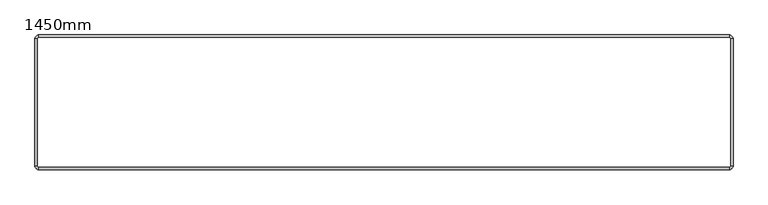
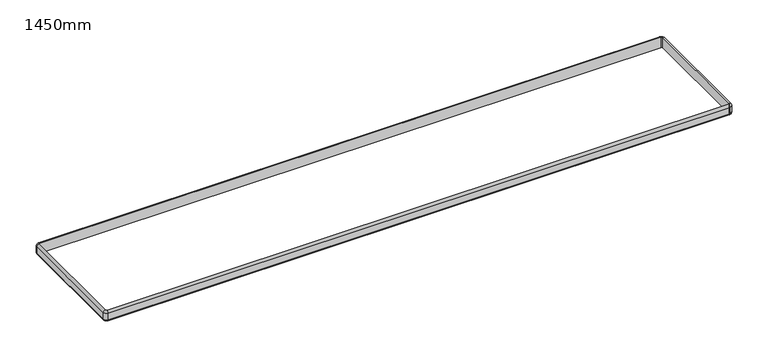
"""IFC4 building model written with IfcOpenShell, lengths in millimetres: furniture geometry, 1450mm."""

from ifc_helpers import new_model, si_unit, point, frame, origin, place, context, project, spatial, polyline, circle_curve, ellipse_curve, trimmed, source, transform, mapped, element, save
from ifc_brep_helpers import plane_surface, cylinder_surface, revolved_surface, advanced_brep


def furniture_1450mm_8ce46c0a(model_context):
    return source(origin(), model_context, "Body", "AdvancedBrep", [
        advanced_brep(
        [(723.9, -131.7, 439.5), (723.9, -131.7, 424.5), (723.9, 131.7, 424.5), (723.9, 131.7, 439.5), (718.9, -131.7, 419.5), (718.9, -131.7, 444.5), (718.9, 131.7, 444.5), (718.9, 131.7, 419.5), (715.9, 139.7, 439.5), (715.9, 139.7, 424.5), (-715.9, 139.7, 424.5), (-715.9, 139.7, 439.5), (715.9, 134.7, 419.5), (715.9, 134.7, 444.5), (-715.9, 134.7, 444.5), (-715.9, 134.7, 419.5), (-723.9, 131.7, 439.5), (-723.9, 131.7, 424.5), (-723.9, -131.7, 424.5), (-723.9, -131.7, 439.5), (-718.9, 131.7, 419.5), (-718.9, 131.7, 444.5), (-718.9, -131.7, 444.5), (-718.9, -131.7, 419.5), (-715.9, -139.7, 439.5), (-715.9, -139.7, 424.5), (715.9, -139.7, 424.5), (715.9, -139.7, 439.5), (-715.9, -134.7, 419.5), (-715.9, -134.7, 444.5), (715.9, -134.7, 444.5), (715.9, -134.7, 419.5)],
        [
            (0, 1),
            (1, 2),
            (2, 3),
            (3, 0),
            (4, 5),
            (5, 6),
            (6, 7),
            (7, 4),
            (8, 9),
            (9, 10),
            (10, 11),
            (11, 8),
            (12, 13),
            (13, 14),
            (14, 15),
            (15, 12),
            (16, 17),
            (17, 18),
            (18, 19),
            (19, 16),
            (20, 21),
            (21, 22),
            (22, 23),
            (23, 20),
            (24, 25),
            (25, 26),
            (26, 27),
            (27, 24),
            (28, 29),
            (29, 30),
            (30, 31),
            (31, 28),
            (1, 4, circle_curve(frame((718.9, -131.7, 424.5), z_axis=(0.0, 1.0, 0.0), x_axis=(-1.0, 0.0, 0.0)), 5.0)),
            (7, 2, circle_curve(frame((718.9, 131.7, 424.5), z_axis=(0.0, -1.0, 0.0), x_axis=(-1.0, 0.0, 0.0)), 5.0)),
            (9, 12, circle_curve(frame((715.9, 134.7, 424.5), z_axis=(-1.0, 0.0, 0.0), x_axis=(0.0, -1.0, 0.0)), 5.0)),
            (15, 10, circle_curve(frame((-715.9, 134.7, 424.5), z_axis=(1.0, 0.0, 0.0), x_axis=(0.0, -1.0, 0.0)), 5.0)),
            (17, 20, circle_curve(frame((-718.9, 131.7, 424.5), z_axis=(0.0, -1.0, 0.0), x_axis=(1.0, 0.0, 0.0)), 5.0)),
            (23, 18, circle_curve(frame((-718.9, -131.7, 424.5), z_axis=(0.0, 1.0, 0.0), x_axis=(1.0, 0.0, 0.0)), 5.0)),
            (25, 28, circle_curve(frame((-715.9, -134.7, 424.5), z_axis=(1.0, 0.0, 0.0), x_axis=(0.0, 1.0, 0.0)), 5.0)),
            (31, 26, circle_curve(frame((715.9, -134.7, 424.5), z_axis=(-1.0, 0.0, 0.0), x_axis=(0.0, 1.0, 0.0)), 5.0)),
            (5, 0, circle_curve(frame((718.9, -131.7, 439.5), z_axis=(0.0, 1.0, 0.0), x_axis=(-1.0, 0.0, 0.0)), 5.0)),
            (3, 6, circle_curve(frame((718.9, 131.7, 439.5), z_axis=(0.0, -1.0, 0.0), x_axis=(-1.0, 0.0, 0.0)), 5.0)),
            (13, 8, circle_curve(frame((715.9, 134.7, 439.5), z_axis=(-1.0, 0.0, 0.0), x_axis=(0.0, -1.0, 0.0)), 5.0)),
            (11, 14, circle_curve(frame((-715.9, 134.7, 439.5), z_axis=(1.0, 0.0, 0.0), x_axis=(0.0, -1.0, 0.0)), 5.0)),
            (21, 16, circle_curve(frame((-718.9, 131.7, 439.5), z_axis=(0.0, -1.0, 0.0), x_axis=(1.0, 0.0, 0.0)), 5.0)),
            (19, 22, circle_curve(frame((-718.9, -131.7, 439.5), z_axis=(0.0, 1.0, 0.0), x_axis=(1.0, 0.0, 0.0)), 5.0)),
            (29, 24, circle_curve(frame((-715.9, -134.7, 439.5), z_axis=(1.0, 0.0, 0.0), x_axis=(0.0, 1.0, 0.0)), 5.0)),
            (27, 30, circle_curve(frame((715.9, -134.7, 439.5), z_axis=(-1.0, 0.0, 0.0), x_axis=(0.0, 1.0, 0.0)), 5.0)),
            (0, 27, circle_curve(frame((715.9, -131.7, 439.5), z_axis=(0.0, 0.0, -1.0), x_axis=(0.0, -1.0, 0.0)), 8.0)),
            (26, 1, circle_curve(frame((715.9, -131.7, 424.5), z_axis=(0.0, 0.0, 1.0), x_axis=(0.0, -1.0, 0.0)), 8.0)),
            (5, 30, circle_curve(frame((715.9, -131.7, 444.5), z_axis=(0.0, 0.0, -1.0), x_axis=(0.0, -1.0, 0.0)), 3.0)),
            (4, 31, circle_curve(frame((715.9, -131.7, 419.5), z_axis=(0.0, 0.0, -1.0), x_axis=(0.0, -1.0, 0.0)), 3.0)),
            (8, 3, circle_curve(frame((715.9, 131.7, 439.5), z_axis=(0.0, 0.0, -1.0), x_axis=(1.0, 0.0, 0.0)), 8.0)),
            (2, 9, circle_curve(frame((715.9, 131.7, 424.5), z_axis=(0.0, 0.0, 1.0), x_axis=(1.0, 0.0, 0.0)), 8.0)),
            (13, 6, circle_curve(frame((715.9, 131.7, 444.5), z_axis=(0.0, 0.0, -1.0), x_axis=(1.0, 0.0, 0.0)), 3.0)),
            (12, 7, circle_curve(frame((715.9, 131.7, 419.5), z_axis=(0.0, 0.0, -1.0), x_axis=(1.0, 0.0, 0.0)), 3.0)),
            (16, 11, circle_curve(frame((-715.9, 131.7, 439.5), z_axis=(0.0, 0.0, -1.0), x_axis=(0.0, 1.0, 0.0)), 8.0)),
            (10, 17, circle_curve(frame((-715.9, 131.7, 424.5), z_axis=(0.0, 0.0, 1.0), x_axis=(0.0, 1.0, 0.0)), 8.0)),
            (21, 14, circle_curve(frame((-715.9, 131.7, 444.5), z_axis=(0.0, 0.0, -1.0), x_axis=(0.0, 1.0, 0.0)), 3.0)),
            (20, 15, circle_curve(frame((-715.9, 131.7, 419.5), z_axis=(0.0, 0.0, -1.0), x_axis=(0.0, 1.0, 0.0)), 3.0)),
            (24, 19, circle_curve(frame((-715.9, -131.7, 439.5), z_axis=(0.0, 0.0, -1.0), x_axis=(-1.0, 0.0, 0.0)), 8.0)),
            (18, 25, circle_curve(frame((-715.9, -131.7, 424.5), z_axis=(0.0, 0.0, 1.0), x_axis=(-1.0, 0.0, 0.0)), 8.0)),
            (29, 22, circle_curve(frame((-715.9, -131.7, 444.5), z_axis=(0.0, 0.0, -1.0), x_axis=(-1.0, 0.0, 0.0)), 3.0)),
            (28, 23, circle_curve(frame((-715.9, -131.7, 419.5), z_axis=(0.0, 0.0, -1.0), x_axis=(-1.0, 0.0, 0.0)), 3.0)),
        ],
        [
            plane_surface(frame((723.9, -131.7, 424.5), z_axis=(1.0, 0.0, 0.0), x_axis=(0.0, 1.0, 0.0))),
            plane_surface(frame((718.9, -131.7, 444.5), z_axis=(-1.0, 0.0, 0.0), x_axis=(0.0, 1.0, 0.0))),
            plane_surface(frame((715.9, 139.7, 424.5), z_axis=(0.0, 1.0, 0.0), x_axis=(-1.0, 0.0, 0.0))),
            plane_surface(frame((715.9, 134.7, 444.5), z_axis=(0.0, -1.0, 0.0), x_axis=(-1.0, 0.0, 0.0))),
            plane_surface(frame((-723.9, 131.7, 424.5), z_axis=(-1.0, 0.0, 0.0), x_axis=(0.0, -1.0, 0.0))),
            plane_surface(frame((-718.9, 131.7, 444.5), z_axis=(1.0, 0.0, 0.0), x_axis=(0.0, -1.0, 0.0))),
            plane_surface(frame((-715.9, -139.7, 424.5), z_axis=(0.0, -1.0, 0.0), x_axis=(1.0, 0.0, 0.0))),
            plane_surface(frame((-715.9, -134.7, 444.5), z_axis=(0.0, 1.0, 0.0), x_axis=(1.0, 0.0, 0.0))),
            cylinder_surface(frame((718.9, -131.7, 424.5), z_axis=(0.0, -1.0, 0.0), x_axis=(-1.0, 0.0, 0.0)), 5.0),
            cylinder_surface(frame((715.9, 134.7, 424.5), z_axis=(1.0, 0.0, 0.0), x_axis=(0.0, -1.0, 0.0)), 5.0),
            cylinder_surface(frame((-718.9, 131.7, 424.5), z_axis=(0.0, 1.0, 0.0), x_axis=(1.0, 0.0, 0.0)), 5.0),
            cylinder_surface(frame((-715.9, -134.7, 424.5), z_axis=(-1.0, 0.0, 0.0), x_axis=(0.0, 1.0, 0.0)), 5.0),
            cylinder_surface(frame((718.9, -131.7, 439.5), z_axis=(0.0, -1.0, 0.0), x_axis=(-1.0, 0.0, 0.0)), 5.0),
            cylinder_surface(frame((715.9, 134.7, 439.5), z_axis=(1.0, 0.0, 0.0), x_axis=(0.0, -1.0, 0.0)), 5.0),
            cylinder_surface(frame((-718.9, 131.7, 439.5), z_axis=(0.0, 1.0, 0.0), x_axis=(1.0, 0.0, 0.0)), 5.0),
            cylinder_surface(frame((-715.9, -134.7, 439.5), z_axis=(-1.0, 0.0, 0.0), x_axis=(0.0, 1.0, 0.0)), 5.0),
            cylinder_surface(frame((715.9, -131.7, 419.5), z_axis=(0.0, 0.0, 1.0), x_axis=(0.0, -1.0, 0.0)), 8.0),
            revolved_surface(trimmed(ellipse_curve(frame((715.9, -134.7, 439.5), z_axis=(-1.0, 0.0, 0.0), x_axis=(0.0, 1.0, 0.0)), 5.0, 5.0), [point((715.9, -139.7, 439.5))], [point((715.9, -134.7, 444.5))], True, "CARTESIAN"), (715.9, -131.7, 419.5), (0.0, 0.0, 1.0)),
            revolved_surface(polyline([(715.9, -134.7, 444.5), (715.9, -134.7, 419.5)]), (715.9, -131.7, 419.5), (0.0, 0.0, 1.0)),
            revolved_surface(trimmed(ellipse_curve(frame((715.9, -134.7, 424.5), z_axis=(-1.0, 0.0, 0.0), x_axis=(0.0, 1.0, 0.0)), 5.0, 5.0), [point((715.9, -134.7, 419.5))], [point((715.9, -139.7, 424.5))], True, "CARTESIAN"), (715.9, -131.7, 419.5), (0.0, 0.0, 1.0)),
            cylinder_surface(frame((715.9, 131.7, 419.5), z_axis=(0.0, 0.0, 1.0), x_axis=(1.0, 0.0, 0.0)), 8.0),
            revolved_surface(trimmed(ellipse_curve(frame((718.9, 131.7, 439.5), z_axis=(0.0, -1.0, 0.0), x_axis=(-1.0, 0.0, 0.0)), 5.0, 5.0), [point((723.9, 131.7, 439.5))], [point((718.9, 131.7, 444.5))], True, "CARTESIAN"), (715.9, 131.7, 419.5), (0.0, 0.0, 1.0)),
            revolved_surface(polyline([(718.9, 131.7, 444.5), (718.9, 131.7, 419.5)]), (715.9, 131.7, 419.5), (0.0, 0.0, 1.0)),
            revolved_surface(trimmed(ellipse_curve(frame((718.9, 131.7, 424.5), z_axis=(0.0, -1.0, 0.0), x_axis=(-1.0, 0.0, 0.0)), 5.0, 5.0), [point((718.9, 131.7, 419.5))], [point((723.9, 131.7, 424.5))], True, "CARTESIAN"), (715.9, 131.7, 419.5), (0.0, 0.0, 1.0)),
            cylinder_surface(frame((-715.9, 131.7, 419.5), z_axis=(0.0, 0.0, 1.0), x_axis=(0.0, 1.0, 0.0)), 8.0),
            revolved_surface(trimmed(ellipse_curve(frame((-715.9, 134.7, 439.5), z_axis=(1.0, 0.0, 0.0), x_axis=(0.0, -1.0, 0.0)), 5.0, 5.0), [point((-715.9, 139.7, 439.5))], [point((-715.9, 134.7, 444.5))], True, "CARTESIAN"), (-715.9, 131.7, 419.5), (0.0, 0.0, 1.0)),
            revolved_surface(polyline([(-715.9, 134.7, 444.5), (-715.9, 134.7, 419.5)]), (-715.9, 131.7, 419.5), (0.0, 0.0, 1.0)),
            revolved_surface(trimmed(ellipse_curve(frame((-715.9, 134.7, 424.5), z_axis=(1.0, 0.0, 0.0), x_axis=(0.0, -1.0, 0.0)), 5.0, 5.0), [point((-715.9, 134.7, 419.5))], [point((-715.9, 139.7, 424.5))], True, "CARTESIAN"), (-715.9, 131.7, 419.5), (0.0, 0.0, 1.0)),
            cylinder_surface(frame((-715.9, -131.7, 419.5), z_axis=(0.0, 0.0, 1.0), x_axis=(-1.0, 0.0, 0.0)), 8.0),
            revolved_surface(trimmed(ellipse_curve(frame((-718.9, -131.7, 439.5), z_axis=(0.0, 1.0, 0.0), x_axis=(1.0, 0.0, 0.0)), 5.0, 5.0), [point((-723.9, -131.7, 439.5))], [point((-718.9, -131.7, 444.5))], True, "CARTESIAN"), (-715.9, -131.7, 419.5), (0.0, 0.0, 1.0)),
            revolved_surface(polyline([(-718.9, -131.7, 444.5), (-718.9, -131.7, 419.5)]), (-715.9, -131.7, 419.5), (0.0, 0.0, 1.0)),
            revolved_surface(trimmed(ellipse_curve(frame((-718.9, -131.7, 424.5), z_axis=(0.0, 1.0, 0.0), x_axis=(1.0, 0.0, 0.0)), 5.0, 5.0), [point((-718.9, -131.7, 419.5))], [point((-723.9, -131.7, 424.5))], True, "CARTESIAN"), (-715.9, -131.7, 419.5), (0.0, 0.0, 1.0)),
        ],
        [
            (0, [[1, 2, 3, 4]]),
            (1, [[5, 6, 7, 8]]),
            (2, [[9, 10, 11, 12]]),
            (3, [[13, 14, 15, 16]]),
            (4, [[17, 18, 19, 20]]),
            (5, [[21, 22, 23, 24]]),
            (6, [[25, 26, 27, 28]]),
            (7, [[29, 30, 31, 32]]),
            (8, [[33, -8, 34, -2]]),
            (9, [[35, -16, 36, -10]]),
            (10, [[37, -24, 38, -18]]),
            (11, [[39, -32, 40, -26]]),
            (12, [[41, -4, 42, -6]]),
            (13, [[43, -12, 44, -14]]),
            (14, [[45, -20, 46, -22]]),
            (15, [[47, -28, 48, -30]]),
            (16, [[49, -27, 50, -1]]),
            (17, [[51, -48, -49, -41]]),
            (18, [[52, -31, -51, -5]]),
            (19, [[-50, -40, -52, -33]]),
            (20, [[53, -3, 54, -9]]),
            (21, [[55, -42, -53, -43]]),
            (22, [[56, -7, -55, -13]]),
            (23, [[-54, -34, -56, -35]]),
            (24, [[57, -11, 58, -17]]),
            (25, [[59, -44, -57, -45]]),
            (26, [[60, -15, -59, -21]]),
            (27, [[-58, -36, -60, -37]]),
            (28, [[61, -19, 62, -25]]),
            (29, [[63, -46, -61, -47]]),
            (30, [[64, -23, -63, -29]]),
            (31, [[-62, -38, -64, -39]]),
        ],
    ),
    ])


if __name__ == "__main__":
    model = new_model("IFC4")
    model_context = context("Model", 3, world=origin())
    ifc_project = project(units=[si_unit("LENGTHUNIT", "METRE", prefix="MILLI")], contexts=[model_context])
    site = spatial("IfcSite", under=ifc_project)
    building = spatial("IfcBuilding", under=site)
    placement = place(None, origin())
    furniture_1450mm_shape = furniture_1450mm_8ce46c0a(model_context)
    element("IfcFurniture", 1, ObjectType="1450mm", at=placement, inside=building, context=model_context, shape_type="MappedRepresentation", body=[
        mapped(furniture_1450mm_shape, transform((0.0, 0.0, 0.0), x_axis=(1.0, 0.0, 0.0), y_axis=(0.0, 1.0, 0.0), z_axis=(0.0, 0.0, 1.0))),
    ])
    save(model, "model.ifc")
